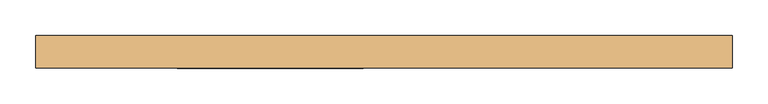
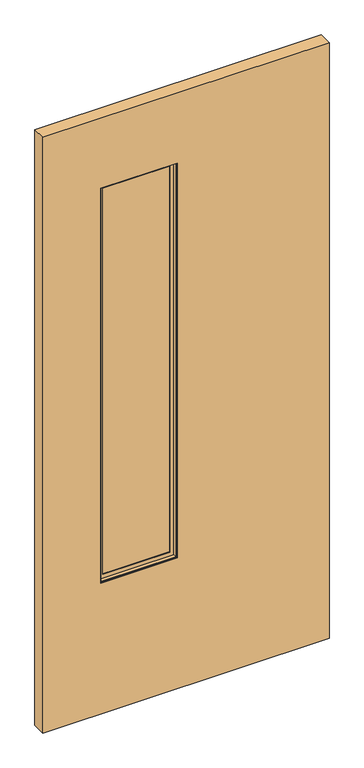
"""IFC4 building model written with IfcOpenShell, lengths in millimetres: door geometry."""

import ifcopenshell
import ifcopenshell.guid

model = None  # the IFC model being written
_history = None  # IfcOwnerHistory: only IFC2X3 demands one
_inside = {}  # id of a spatial element -> (the spatial element, [elements in it])
_under = {}  # id of a project, library or spatial element -> (it, [spatial elements below it])
_declared = {}  # id of a project -> (the project, [libraries it declares])
_typed = {}  # id of a type object -> (the type object, [elements of that type])
_made_of = {}  # id of a material, layer set ... -> (it, [elements and type objects made of it])


def new_model(schema):
    """Start an empty IFC model of exactly this schema.

    Asked for "IFC4X3", IfcOpenShell would pick the latest addendum, in which some entities
    have other attributes; the version numbers below select the first issue.
    IFC2X3 requires an IfcOwnerHistory on every rooted entity: one is made here for all.
    """
    global model, _history
    if schema == "IFC4X3":
        model = ifcopenshell.file(schema_version=(4, 3, 0, 0))
    else:
        model = ifcopenshell.file(schema=schema)
    _inside.clear()
    _under.clear()
    _declared.clear()
    _typed.clear()
    _made_of.clear()
    _history = None
    if model.schema == "IFC2X3":
        org = make("IfcOrganization", Name="unknown")
        user = make(
            "IfcPersonAndOrganization",
            ThePerson=make("IfcPerson", FamilyName="unknown"),
            TheOrganization=org,
        )
        app = make(
            "IfcApplication",
            ApplicationDeveloper=org,
            Version="unknown",
            ApplicationFullName="unknown",
            ApplicationIdentifier="unknown",
        )
        _history = make(
            "IfcOwnerHistory",
            OwningUser=user,
            OwningApplication=app,
            ChangeAction="ADDED",
            CreationDate=0,
        )
    return model


def make(cls, **values):
    """One entity of the class cls with the attributes given. An attribute that is None is left unset."""
    return model.create_entity(
        cls, **{name: value for name, value in values.items() if value is not None}
    )


def rooted(cls, **values):
    """An entity with a GlobalId (a new one), such as an element, a storey or a relation."""
    return make(cls, GlobalId=ifcopenshell.guid.new(), OwnerHistory=_history, **values)


def si_unit(unit_type, name, prefix=None):
    """IfcSIUnit, for example si_unit("LENGTHUNIT", "METRE", prefix="MILLI")."""
    return make("IfcSIUnit", UnitType=unit_type, Prefix=prefix, Name=name)


def assignment(units):
    """IfcUnitAssignment: the units of a project."""
    return None if units is None else make("IfcUnitAssignment", Units=units)


def point(xyz):
    """IfcCartesianPoint."""
    return None if xyz is None else make("IfcCartesianPoint", Coordinates=xyz)


def direction(xyz):
    """IfcDirection."""
    return None if xyz is None else make("IfcDirection", DirectionRatios=xyz)


def frame(location, z_axis=None, x_axis=None):
    """IfcAxis2Placement3D, a coordinate frame: its origin and axes. An axis left out is left unset."""
    return make(
        "IfcAxis2Placement3D",
        Location=point(location),
        Axis=direction(z_axis),
        RefDirection=direction(x_axis),
    )


def origin():
    """The frame at (0, 0, 0) with its axes left unset."""
    return frame((0.0, 0.0, 0.0))


def place(relative_to, where):
    """IfcLocalPlacement: puts the frame where relative to a parent placement (None: the world)."""
    return make(
        "IfcLocalPlacement", PlacementRelTo=relative_to, RelativePlacement=where
    )


def context(
    kind, dimensions, precision=None, world=None, true_north=None, identifier=None
):
    """IfcGeometricRepresentationContext, for example the 3D "Model" context."""
    return make(
        "IfcGeometricRepresentationContext",
        ContextIdentifier=identifier,
        ContextType=kind,
        CoordinateSpaceDimension=dimensions,
        Precision=precision,
        WorldCoordinateSystem=world,
        TrueNorth=true_north,
    )


def project(units=None, contexts=None):
    """IfcProject with its units and contexts."""
    return rooted(
        "IfcProject",
        Name="project",
        RepresentationContexts=contexts,
        UnitsInContext=assignment(units),
    )


def spatial(cls, under=None, at=None, **own):
    """A site, building, storey or space (cls), placed at a placement, below another one or the project."""
    s = rooted(cls, ObjectPlacement=at, **own)
    if under is not None:
        _under.setdefault(under.id(), (under, []))[1].append(s)
    return s


def polyline(points):
    """IfcPolyline through the points."""
    return make("IfcPolyline", Points=[point(p) for p in points])


def outline(outer, holes=None, kind="AREA"):
    """IfcArbitraryClosedProfileDef: a profile drawn as a closed curve; with holes, ...WithVoids."""
    if holes is None:
        return make("IfcArbitraryClosedProfileDef", ProfileType=kind, OuterCurve=outer)
    return make(
        "IfcArbitraryProfileDefWithVoids",
        ProfileType=kind,
        OuterCurve=outer,
        InnerCurves=holes,
    )


def extrude(swept, where, along, depth):
    """IfcExtrudedAreaSolid: the profile swept, set in the frame where, extruded along a direction by depth."""
    return make(
        "IfcExtrudedAreaSolid",
        SweptArea=swept,
        Position=where,
        ExtrudedDirection=direction(along),
        Depth=depth,
    )


def faces_of(points, faces, orient=None, outer=None):
    """IfcFace entities. A face is a list of loops; a loop is a list of indices into points, from 0.

    orient and outer hold one flag for each loop. By default every Orientation is true, the
    first loop of a face is its IfcFaceOuterBound and the others are IfcFaceBound.
    """
    made = []
    for i, loops in enumerate(faces):
        bounds = []
        for j, loop in enumerate(loops):
            is_outer = j == 0 if outer is None else outer[i][j]
            bounds.append(
                make(
                    "IfcFaceOuterBound" if is_outer else "IfcFaceBound",
                    Bound=make("IfcPolyLoop", Polygon=[points[k] for k in loop]),
                    Orientation=True if orient is None else orient[i][j],
                )
            )
        made.append(make("IfcFace", Bounds=bounds))
    return made


def faceted_brep(points, faces, orient=None, outer=None, voids=None):
    """IfcFacetedBrep: a solid bounded by flat faces; with voids (closed shells), ...WithVoids."""
    shared = [point(p) for p in points]
    hull = make("IfcClosedShell", CfsFaces=faces_of(shared, faces, orient, outer))
    if voids is None:
        return make("IfcFacetedBrep", Outer=hull)
    return make(
        "IfcFacetedBrepWithVoids",
        Outer=hull,
        Voids=[
            make(cls, CfsFaces=faces_of(shared, fs, o, b)) for cls, fs, o, b in voids
        ],
    )


def shape(context_of_items, identifier, shape_type, items):
    """IfcShapeRepresentation: the items that make up one representation, for example the "Body"."""
    return make(
        "IfcShapeRepresentation",
        ContextOfItems=context_of_items,
        RepresentationIdentifier=identifier,
        RepresentationType=shape_type,
        Items=items,
    )


def source(mapping_origin, context_of_items, identifier, shape_type, items):
    """IfcRepresentationMap: a shape defined once, which mapped items show again and again."""
    return make(
        "IfcRepresentationMap",
        MappingOrigin=mapping_origin,
        MappedRepresentation=shape(context_of_items, identifier, shape_type, items),
    )


def transform(
    local_origin,
    x_axis=None,
    y_axis=None,
    z_axis=None,
    scale=None,
    scale2=None,
    scale3=None,
    uniform=True,
):
    """IfcCartesianTransformationOperator3D, or its non-uniform kind. x_axis, y_axis, z_axis: its Axis1, 2, 3."""
    if uniform:
        return make(
            "IfcCartesianTransformationOperator3D",
            Axis1=direction(x_axis),
            Axis2=direction(y_axis),
            LocalOrigin=point(local_origin),
            Scale=scale,
            Axis3=direction(z_axis),
        )
    return make(
        "IfcCartesianTransformationOperator3DnonUniform",
        Axis1=direction(x_axis),
        Axis2=direction(y_axis),
        LocalOrigin=point(local_origin),
        Scale=scale,
        Axis3=direction(z_axis),
        Scale2=scale2,
        Scale3=scale3,
    )


def mapped(mapping_source, mapping_target):
    """IfcMappedItem: shows the shape of a source again, moved by a transform."""
    return make(
        "IfcMappedItem", MappingSource=mapping_source, MappingTarget=mapping_target
    )


def made_of(thing, what):
    """Note that an element or type object is made of a material, layer set ...; save() writes the relation."""
    if what is not None:
        _made_of.setdefault(what.id(), (what, []))[1].append(thing)
    return thing


def element(
    cls,
    number,
    at=None,
    inside=None,
    cuts=None,
    type_object=None,
    material=None,
    context=None,
    identifier="Body",
    shape_type=None,
    held_by="IfcProductDefinitionShape",
    body=None,
    shapes=None,
    **own,
):
    """One element of the class cls, such as IfcWall. Its Tag is "e" and its number.

    at: its placement. inside: the storey or other place that contains it. cuts: it is an
    opening in that element (IfcRelVoidsElement). A single representation is given by context,
    identifier, shape_type and body (its items); several are given by shapes. held_by: the class
    of the entity that holds the representations. save() writes the other relations.
    """
    e = rooted(cls, Tag="e%d" % number, ObjectPlacement=at, **own)
    if body is not None:
        shapes = [shape(context, identifier, shape_type, body)]
    if shapes is not None:
        e.Representation = make(held_by, Representations=shapes)
    if inside is not None:
        _inside.setdefault(inside.id(), (inside, []))[1].append(e)
    if cuts is not None:
        rooted(
            "IfcRelVoidsElement", RelatingBuildingElement=cuts, RelatedOpeningElement=e
        )
    if type_object is not None:
        _typed.setdefault(type_object.id(), (type_object, []))[1].append(e)
    return made_of(e, material)


def aggregate(whole, parts):
    """IfcRelAggregates: a whole, such as a stair, and the parts it consists of."""
    return rooted("IfcRelAggregates", RelatingObject=whole, RelatedObjects=parts)


def save(model, path):
    """Write the relations noted so far, then the file.

    IfcRelAggregates (storeys below a building ...), IfcRelContainedInSpatialStructure (elements
    in a storey), IfcRelDefinesByType, IfcRelAssociatesMaterial and IfcRelDeclares: one each for
    every whole, place, type object, material and project.
    """
    for whole, parts in _under.values():
        aggregate(whole, parts)
    for where, things in _inside.values():
        rooted(
            "IfcRelContainedInSpatialStructure",
            RelatedElements=things,
            RelatingStructure=where,
        )
    for kind, things in _typed.values():
        rooted("IfcRelDefinesByType", RelatedObjects=things, RelatingType=kind)
    for what, things in _made_of.values():
        rooted("IfcRelAssociatesMaterial", RelatedObjects=things, RelatingMaterial=what)
    for by, libraries in _declared.values():
        rooted("IfcRelDeclares", RelatingContext=by, RelatedDefinitions=libraries)
    model.write(path)


def door_5fdf5f67(model_context):
    return source(origin(), model_context, "Body", "SolidModel", [
        extrude(outline(polyline([(-29.4464326, 3.175), (-29.4464326, -3.175), (-291.0664326, -3.175), (-291.0664326, 3.175), (-29.4464326, 3.175)])), frame((0.0, 0.0, 486.1435027), z_axis=(0.0, 0.0, 1.0), x_axis=(1.0, 0.0, 0.0)), (0.0, 0.0, 1.0), 1430.02),
        faceted_brep([(-275.1758536, -3.797467, 1900.2729238), (-275.1758536, -6.9755828, 1900.2729238), (-275.1758536, -6.9755828, 502.0340817), (-275.1758536, -3.797467, 502.0340817), (-45.3370115, -6.9755828, 502.0340817), (-45.3370115, -3.797467, 502.0340817), (-32.6245484, -6.9755828, 489.3216185), (-32.6245484, -6.9755828, 1912.9853869), (-287.8883168, -6.9755828, 1912.9853869), (-287.8883168, -6.9755828, 489.3216185), (-45.3370115, -6.9755828, 1900.2729238), (-45.3370115, -3.797467, 1900.2729238), (-291.0664326, -3.797467, 486.1435027), (-291.0664326, -3.797467, 1916.1635027), (-29.4464326, -3.797467, 1916.1635027), (-29.4464326, -3.797467, 486.1435027), (-291.0664326, -19.688046, 1916.1635027), (-291.0664326, -19.688046, 486.1435027), (-29.4464326, -19.688046, 486.1435027), (-29.4464326, -19.688046, 1916.1635027), (-287.8883168, -19.688046, 489.3216185), (-287.8883168, -19.688046, 1912.9853869), (-32.6245484, -19.688046, 1912.9853869), (-32.6245484, -19.688046, 489.3216185)], [[[0, 1, 2, 3]], [[3, 2, 4, 5]], [[6, 7, 8, 9], [2, 1, 10, 4]], [[5, 4, 10, 11]], [[12, 13, 14, 15], [5, 11, 0, 3]], [[16, 13, 12, 17]], [[17, 12, 15, 18]], [[18, 15, 14, 19]], [[18, 19, 16, 17], [20, 21, 22, 23]], [[8, 21, 20, 9]], [[9, 20, 23, 6]], [[6, 23, 22, 7]], [[11, 10, 1, 0]], [[19, 14, 13, 16]], [[7, 22, 21, 8]]]),
        faceted_brep([(-287.8883168, 19.688046, 1912.9853869), (-287.8883168, 6.9755828, 1912.9853869), (-287.8883168, 6.9755828, 489.3216185), (-287.8883168, 19.688046, 489.3216185), (-32.6245484, 6.9755828, 489.3216185), (-32.6245484, 19.688046, 489.3216185), (-32.6245484, 6.9755828, 1912.9853869), (-45.3370115, 6.9755828, 502.0340817), (-45.3370115, 6.9755828, 1900.2729238), (-275.1758536, 6.9755828, 1900.2729238), (-275.1758536, 6.9755828, 502.0340817), (-32.6245484, 19.688046, 1912.9853869), (-291.0664326, 19.688046, 486.1435027), (-291.0664326, 19.688046, 1916.1635027), (-29.4464326, 19.688046, 1916.1635027), (-29.4464326, 19.688046, 486.1435027), (-291.0664326, 3.797467, 1916.1635027), (-291.0664326, 3.797467, 486.1435027), (-29.4464326, 3.797467, 486.1435027), (-29.4464326, 3.797467, 1916.1635027), (-275.1758536, 3.797467, 502.0340817), (-275.1758536, 3.797467, 1900.2729238), (-45.3370115, 3.797467, 1900.2729238), (-45.3370115, 3.797467, 502.0340817)], [[[0, 1, 2, 3]], [[3, 2, 4, 5]], [[2, 1, 6, 4], [7, 8, 9, 10]], [[5, 4, 6, 11]], [[12, 13, 14, 15], [5, 11, 0, 3]], [[16, 13, 12, 17]], [[17, 12, 15, 18]], [[18, 15, 14, 19]], [[18, 19, 16, 17], [20, 21, 22, 23]], [[9, 21, 20, 10]], [[10, 20, 23, 7]], [[7, 23, 22, 8]], [[11, 6, 1, 0]], [[19, 14, 13, 16]], [[8, 22, 21, 9]]]),
        extrude(outline(polyline([(2170.1635027, 490.4564326), (2170.1635027, -490.4564326), (12.7, -490.4564326), (12.7, 490.4564326), (2170.1635027, 490.4564326)]), holes=[polyline([(1916.1635027, -291.0664326), (1916.1635027, -29.4464326), (486.1435027, -29.4464326), (486.1435027, -291.0664326), (1916.1635027, -291.0664326)])]), frame((0.0, -23.114, 0.0), z_axis=(0.0, 1.0, 0.0), x_axis=(0.0, 0.0, 1.0)), (0.0, 0.0, 1.0), 46.228),
    ])


if __name__ == "__main__":
    model = new_model("IFC4")
    model_context = context("Model", 3, world=origin())
    ifc_project = project(units=[si_unit("LENGTHUNIT", "METRE", prefix="MILLI")], contexts=[model_context])
    site = spatial("IfcSite", under=ifc_project)
    building = spatial("IfcBuilding", under=site)
    placement = place(None, origin())
    door_shape = door_5fdf5f67(model_context)
    element("IfcDoor", 1, at=placement, inside=building, context=model_context, shape_type="MappedRepresentation", body=[
        mapped(door_shape, transform((0.0, 0.0, 0.0), x_axis=(1.0, 0.0, 0.0), y_axis=(0.0, 1.0, 0.0), z_axis=(0.0, 0.0, 1.0))),
    ])
    save(model, "model.ifc")
